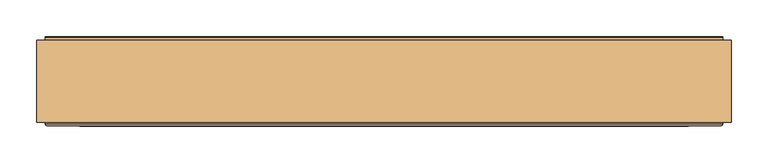
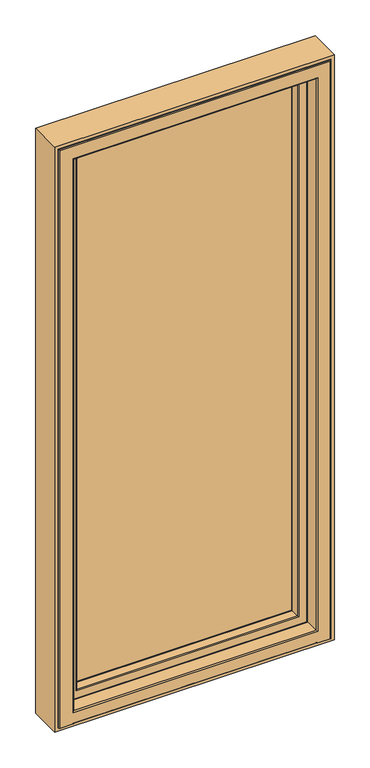
"""IFC4 building model written with IfcOpenShell, lengths in millimetres: door geometry."""

from ifc_helpers import new_model, si_unit, frame, origin, place, context, project, spatial, polyline, circle_curve, ellipse_curve, outline, extrude, source, transform, mapped, element, save
from ifc_brep_helpers import plane_surface, cylinder_surface, revolved_surface, advanced_brep


def door_3a517f91(model_context):
    return source(origin(), model_context, "Body", "SolidModel", [
        extrude(outline(polyline([(385.0, 153.0110098), (-385.0, 153.0110098), (-385.0, 181.0110098), (385.0, 181.0110098), (385.0, 153.0110098)])), frame((0.0, 0.0, 84.0), z_axis=(0.0, 0.0, 1.0), x_axis=(1.0, 0.0, 0.0)), (0.0, 0.0, 1.0), 1926.0),
        advanced_brep(
        [(427.5, 188.6168436, 2052.5), (427.5, 185.5999985, 2052.5), (427.5, 185.5999985, 41.5), (427.5, 188.6168436, 41.5), (430.0, 193.0, 2055.0), (431.0, 192.0, 2056.0), (431.0, 192.0, 38.0), (430.0, 193.0, 39.0), (378.7687118, 192.6156615, 2003.7687118), (379.5567226, 193.0, 2004.5567226), (379.5567226, 193.0, 89.4432774), (378.7687118, 192.6156615, 90.2312882), (371.0012615, 182.6737784, 1996.0012615), (371.0012615, 182.6737784, 97.9987385), (371.0012615, 181.0, 1996.0012615), (371.0012615, 181.0, 97.9987385), (391.8240449, 153.0, 2016.8240449), (395.2620126, 181.0, 2020.2620126), (395.2620126, 181.0, 73.7379874), (391.8240449, 153.0, 77.1759551), (373.4556912, 150.0, 1998.4556912), (373.4556912, 153.0, 1998.4556912), (373.4556912, 153.0, 95.5443088), (373.4556912, 150.0, 95.5443088), (373.4775438, 148.7920883, 1998.4775438), (374.4556914, 150.0, 1999.4556914), (374.4556914, 150.0, 94.5443086), (373.4775438, 148.7920883, 95.5224562), (375.2663821, 120.376265, 2000.2663821), (375.2663821, 120.376265, 93.7336179), (378.2008249, 118.0, 2003.2008249), (378.2008249, 118.0, 90.7991751), (408.5618051, 119.7562613, 2033.5618051), (406.5767128, 118.0, 2031.5767128), (406.5767128, 118.0, 62.4232872), (408.5618051, 119.7562613, 60.4381949), (410.5562854, 136.0, 2035.5562854), (410.5562854, 136.0, 58.4437146), (422.0, 185.5999985, 2047.0), (422.0, 136.0, 2047.0), (422.0, 136.0, 47.0), (422.0, 185.5999985, 47.0), (-427.5, 185.5999985, 41.5), (-427.5, 188.6168436, 41.5), (-431.0, 192.0, 38.0), (-430.0, 193.0, 39.0), (-379.5567226, 193.0, 89.4432774), (-378.7687118, 192.6156615, 90.2312882), (-371.0012615, 182.6737784, 97.9987385), (-371.0012615, 181.0, 97.9987385), (-395.2620126, 181.0, 73.7379874), (-391.8240449, 153.0, 77.1759551), (-373.4556912, 153.0, 95.5443088), (-373.4556912, 150.0, 95.5443088), (-374.4556914, 150.0, 94.5443086), (-373.4775438, 148.7920883, 95.5224562), (-375.2663821, 120.376265, 93.7336179), (-378.2008249, 118.0, 90.7991751), (-406.5767128, 118.0, 62.4232872), (-408.5618051, 119.7562613, 60.4381949), (-410.5562854, 136.0, 58.4437146), (-422.0, 136.0, 47.0), (-422.0, 185.5999985, 47.0), (-427.5, 185.5999985, 2052.5), (-427.5, 188.6168436, 2052.5), (-431.0, 192.0, 2056.0), (-430.0, 193.0, 2055.0), (-379.5567226, 193.0, 2004.5567226), (-378.7687118, 192.6156615, 2003.7687118), (-371.0012615, 182.6737784, 1996.0012615), (-371.0012615, 181.0, 1996.0012615), (-395.2620126, 181.0, 2020.2620126), (-391.8240449, 153.0, 2016.8240449), (-373.4556912, 153.0, 1998.4556912), (-373.4556912, 150.0, 1998.4556912), (-374.4556914, 150.0, 1999.4556914), (-373.4775438, 148.7920883, 1998.4775438), (-375.2663821, 120.376265, 2000.2663821), (-378.2008249, 118.0, 2003.2008249), (-406.5767128, 118.0, 2031.5767128), (-408.5618051, 119.7562613, 2033.5618051), (-410.5562854, 136.0, 2035.5562854), (-422.0, 136.0, 2047.0), (-422.0, 185.5999985, 2047.0), (437.1997151, 189.6865589, 31.8002849), (-437.1997151, 189.6865589, 31.8002849), (-437.1997151, 189.6865589, 2062.1997151), (437.1997151, 189.6865589, 2062.1997151), (431.0, 189.6865589, 2056.0), (-431.0, 189.6865589, 2056.0), (-431.0, 189.6865589, 38.0), (431.0, 189.6865589, 38.0), (437.1997151, 188.6168436, 2062.1997151), (437.1997151, 188.6168436, 31.8002849), (-437.1997151, 188.6168436, 31.8002849), (-437.1997151, 188.6168436, 2062.1997151)],
        [
            (0, 1),
            (1, 2),
            (2, 3),
            (3, 0),
            (4, 5, ellipse_curve(frame((430.0, 192.0, 2055.0), z_axis=(0.7071067811865475, 0.0, -0.7071067811865475), x_axis=(0.7071067811865474, 0.0, 0.7071067811865476)), 1.4142136, 1.0)),
            (5, 6),
            (6, 7, ellipse_curve(frame((430.0, 192.0, 39.0), z_axis=(0.7071067811865475, 0.0, 0.7071067811865475), x_axis=(-0.7071067811865474, 0.0, 0.7071067811865476)), 1.4142136, 1.0)),
            (7, 4),
            (8, 9, ellipse_curve(frame((379.5567226, 192.0, 2004.5567226), z_axis=(0.7071067811865475, 0.0, -0.7071067811865475), x_axis=(0.7071067811865474, 0.0, 0.7071067811865476)), 1.4142136, 1.0)),
            (9, 10),
            (10, 11, ellipse_curve(frame((379.5567226, 192.0, 89.4432774), z_axis=(0.7071067811865475, 0.0, 0.7071067811865475), x_axis=(-0.7071067811865474, 0.0, 0.7071067811865476)), 1.4142136, 1.0)),
            (11, 8),
            (12, 8),
            (11, 13),
            (13, 12),
            (14, 12),
            (13, 15),
            (15, 14),
            (16, 17),
            (17, 18),
            (18, 19),
            (19, 16),
            (20, 21),
            (21, 22),
            (22, 23),
            (23, 20),
            (24, 25, ellipse_curve(frame((374.4556914, 149.0, 1999.4556914), z_axis=(0.7071067811865475, 0.0, -0.7071067811865475), x_axis=(0.7071067811865474, 0.0, 0.7071067811865476)), 1.4142136, 1.0)),
            (25, 26),
            (26, 27, ellipse_curve(frame((374.4556914, 149.0, 94.5443086), z_axis=(0.7071067811865475, 0.0, 0.7071067811865475), x_axis=(-0.7071067811865474, 0.0, 0.7071067811865476)), 1.4142136, 1.0)),
            (27, 24),
            (28, 24),
            (27, 29),
            (29, 28),
            (30, 28, ellipse_curve(frame((378.2008249, 121.0, 2003.2008249), z_axis=(0.7071067811865475, 0.0, -0.7071067811865475), x_axis=(0.7071067811865474, 0.0, 0.7071067811865476)), 4.2426407, 3.0)),
            (29, 31, ellipse_curve(frame((378.2008249, 121.0, 90.7991751), z_axis=(0.7071067811865475, 0.0, 0.7071067811865475), x_axis=(-0.7071067811865474, 0.0, 0.7071067811865476)), 4.2426407, 3.0)),
            (31, 30),
            (32, 33, ellipse_curve(frame((406.5767128, 120.0, 2031.5767128), z_axis=(0.7071067811865475, 0.0, -0.7071067811865475), x_axis=(0.7071067811865474, 0.0, 0.7071067811865476)), 2.8284271, 2.0)),
            (33, 34),
            (34, 35, ellipse_curve(frame((406.5767128, 120.0, 62.4232872), z_axis=(0.7071067811865475, 0.0, 0.7071067811865475), x_axis=(-0.7071067811865474, 0.0, 0.7071067811865476)), 2.8284271, 2.0)),
            (35, 32),
            (36, 32),
            (35, 37),
            (37, 36),
            (38, 39),
            (39, 40),
            (40, 41),
            (41, 38),
            (2, 42),
            (42, 43),
            (43, 3),
            (6, 44),
            (44, 45, ellipse_curve(frame((-430.0, 192.0, 39.0), z_axis=(0.7071067811865475, 0.0, -0.7071067811865475), x_axis=(0.7071067811865476, 0.0, 0.7071067811865474)), 1.4142136, 1.0)),
            (45, 7),
            (10, 46),
            (46, 47, ellipse_curve(frame((-379.5567226, 192.0, 89.4432774), z_axis=(0.7071067811865475, 0.0, -0.7071067811865475), x_axis=(0.7071067811865476, 0.0, 0.7071067811865474)), 1.4142136, 1.0)),
            (47, 11),
            (47, 48),
            (48, 13),
            (48, 49),
            (49, 15),
            (18, 50),
            (50, 51),
            (51, 19),
            (22, 52),
            (52, 53),
            (53, 23),
            (26, 54),
            (54, 55, ellipse_curve(frame((-374.4556914, 149.0, 94.5443086), z_axis=(0.7071067811865475, 0.0, -0.7071067811865475), x_axis=(0.7071067811865476, 0.0, 0.7071067811865474)), 1.4142136, 1.0)),
            (55, 27),
            (55, 56),
            (56, 29),
            (56, 57, ellipse_curve(frame((-378.2008249, 121.0, 90.7991751), z_axis=(0.7071067811865475, 0.0, -0.7071067811865475), x_axis=(0.7071067811865476, 0.0, 0.7071067811865474)), 4.2426407, 3.0)),
            (57, 31),
            (34, 58),
            (58, 59, ellipse_curve(frame((-406.5767128, 120.0, 62.4232872), z_axis=(0.7071067811865475, 0.0, -0.7071067811865475), x_axis=(0.7071067811865476, 0.0, 0.7071067811865474)), 2.8284271, 2.0)),
            (59, 35),
            (59, 60),
            (60, 37),
            (40, 61),
            (61, 62),
            (62, 41),
            (42, 63),
            (63, 64),
            (64, 43),
            (44, 65),
            (65, 66, ellipse_curve(frame((-430.0, 192.0, 2055.0), z_axis=(-0.7071067811865475, 0.0, -0.7071067811865475), x_axis=(0.7071067811865474, 0.0, -0.7071067811865476)), 1.4142136, 1.0)),
            (66, 45),
            (46, 67),
            (67, 68, ellipse_curve(frame((-379.5567226, 192.0, 2004.5567226), z_axis=(-0.7071067811865475, 0.0, -0.7071067811865475), x_axis=(0.7071067811865474, 0.0, -0.7071067811865476)), 1.4142136, 1.0)),
            (68, 47),
            (68, 69),
            (69, 48),
            (69, 70),
            (70, 49),
            (50, 71),
            (71, 72),
            (72, 51),
            (52, 73),
            (73, 74),
            (74, 53),
            (54, 75),
            (75, 76, ellipse_curve(frame((-374.4556914, 149.0, 1999.4556914), z_axis=(-0.7071067811865475, 0.0, -0.7071067811865475), x_axis=(0.7071067811865474, 0.0, -0.7071067811865476)), 1.4142136, 1.0)),
            (76, 55),
            (76, 77),
            (77, 56),
            (77, 78, ellipse_curve(frame((-378.2008249, 121.0, 2003.2008249), z_axis=(-0.7071067811865475, 0.0, -0.7071067811865475), x_axis=(0.7071067811865474, 0.0, -0.7071067811865476)), 4.2426407, 3.0)),
            (78, 57),
            (58, 79),
            (79, 80, ellipse_curve(frame((-406.5767128, 120.0, 2031.5767128), z_axis=(-0.7071067811865475, 0.0, -0.7071067811865475), x_axis=(0.7071067811865474, 0.0, -0.7071067811865476)), 2.8284271, 2.0)),
            (80, 59),
            (80, 81),
            (81, 60),
            (61, 82),
            (82, 83),
            (83, 62),
            (1, 63),
            (83, 38),
            (0, 64),
            (84, 85),
            (85, 86),
            (86, 87),
            (87, 84),
            (88, 89),
            (89, 90),
            (90, 91),
            (91, 88),
            (65, 5),
            (4, 66),
            (9, 67),
            (8, 68),
            (12, 69),
            (14, 70),
            (17, 71),
            (16, 72),
            (21, 73),
            (20, 74),
            (25, 75),
            (24, 76),
            (28, 77),
            (30, 78),
            (33, 79),
            (32, 80),
            (36, 81),
            (39, 82),
            (87, 92),
            (92, 93),
            (93, 84),
            (5, 88),
            (91, 6),
            (93, 94),
            (94, 85),
            (90, 44),
            (94, 95),
            (95, 86),
            (89, 65),
            (92, 95),
        ],
        [
            plane_surface(frame((427.5, 185.5999985, 2052.5), z_axis=(1.0, 0.0, 0.0), x_axis=(0.0, 0.0, -1.0))),
            cylinder_surface(frame((430.0, 192.0, 2047.0), z_axis=(0.0, 0.0, 1.0), x_axis=(0.0, -1.0, 0.0)), 1.0),
            cylinder_surface(frame((379.5567226, 192.0, 2047.0), z_axis=(0.0, 0.0, 1.0), x_axis=(0.0, -1.0, 0.0)), 1.0),
            plane_surface(frame((378.7687118, 192.6156615, 2003.7687118), z_axis=(-0.788010753606748, 0.6156614753256251, 0.0), x_axis=(0.0, 0.0, -1.0))),
            plane_surface(frame((371.0012615, 182.6737784, 1996.0012615), z_axis=(-1.0, 0.0, 0.0), x_axis=(0.0, 0.0, -1.0))),
            plane_surface(frame((395.2620126, 181.0, 2020.2620126), z_axis=(-0.9925461516413229, 0.1218693434051407, 0.0), x_axis=(0.0, 0.0, -1.0))),
            plane_surface(frame((373.4556912, 153.0, 1998.4556912), z_axis=(-1.0, 0.0, 0.0), x_axis=(0.0, 0.0, -1.0))),
            cylinder_surface(frame((374.4556914, 149.0, 2047.0), z_axis=(0.0, 0.0, 1.0), x_axis=(0.0, -1.0, 0.0)), 1.0),
            plane_surface(frame((373.4775438, 148.7920883, 1998.4775438), z_axis=(-0.9980243809166679, -0.0628278210341702, 0.0), x_axis=(0.0, 0.0, -1.0))),
            cylinder_surface(frame((378.2008249, 121.0, 2047.0), z_axis=(0.0, 0.0, 1.0), x_axis=(0.0, -1.0, 0.0)), 3.0),
            cylinder_surface(frame((406.5767128, 120.0, 2047.0), z_axis=(0.0, 0.0, 1.0), x_axis=(0.0, -1.0, 0.0)), 2.0),
            plane_surface(frame((408.5618051, 119.7562613, 2033.5618051), z_axis=(0.9925461516416137, -0.12186934340277171, 0.0), x_axis=(0.0, 0.0, -1.0))),
            plane_surface(frame((422.0, 136.0, 2047.0), z_axis=(1.0, 0.0, 0.0), x_axis=(0.0, 0.0, -1.0))),
            plane_surface(frame((427.5, 185.5999985, 41.5), z_axis=(0.0, 0.0, -1.0), x_axis=(-1.0, 0.0, 0.0))),
            cylinder_surface(frame((422.0, 192.0, 39.0), z_axis=(1.0, 0.0, 0.0), x_axis=(0.0, -1.0, 0.0)), 1.0),
            cylinder_surface(frame((422.0, 192.0, 89.4432774), z_axis=(1.0, 0.0, 0.0), x_axis=(0.0, -1.0, 0.0)), 1.0),
            plane_surface(frame((378.7687118, 192.6156615, 90.2312882), z_axis=(0.0, 0.6156614753256251, 0.788010753606748), x_axis=(-1.0, 0.0, 0.0))),
            plane_surface(frame((371.0012615, 182.6737784, 97.9987385), z_axis=(0.0, 0.0, 1.0), x_axis=(-1.0, 0.0, 0.0))),
            plane_surface(frame((395.2620126, 181.0, 73.7379874), z_axis=(0.0, 0.1218693434051407, 0.9925461516413229), x_axis=(-1.0, 0.0, 0.0))),
            plane_surface(frame((373.4556912, 153.0, 95.5443088), z_axis=(0.0, 0.0, 1.0), x_axis=(-1.0, 0.0, 0.0))),
            cylinder_surface(frame((422.0, 149.0, 94.5443086), z_axis=(1.0, 0.0, 0.0), x_axis=(0.0, -1.0, 0.0)), 1.0),
            plane_surface(frame((373.4775438, 148.7920883, 95.5224562), z_axis=(0.0, -0.0628278210341702, 0.9980243809166679), x_axis=(-1.0, 0.0, 0.0))),
            cylinder_surface(frame((422.0, 121.0, 90.7991751), z_axis=(1.0, 0.0, 0.0), x_axis=(0.0, -1.0, 0.0)), 3.0),
            cylinder_surface(frame((422.0, 120.0, 62.4232872), z_axis=(1.0, 0.0, 0.0), x_axis=(0.0, -1.0, 0.0)), 2.0),
            plane_surface(frame((408.5618051, 119.7562613, 60.4381949), z_axis=(0.0, -0.12186934340277171, -0.9925461516416137), x_axis=(-1.0, 0.0, 0.0))),
            plane_surface(frame((422.0, 136.0, 47.0), z_axis=(0.0, 0.0, -1.0), x_axis=(-1.0, 0.0, 0.0))),
            plane_surface(frame((-427.5, 185.5999985, 41.5), z_axis=(-1.0, 0.0, 0.0), x_axis=(0.0, 0.0, 1.0))),
            cylinder_surface(frame((-430.0, 192.0, 47.0), z_axis=(0.0, 0.0, -1.0), x_axis=(0.0, -1.0, 0.0)), 1.0),
            cylinder_surface(frame((-379.5567226, 192.0, 47.0), z_axis=(0.0, 0.0, -1.0), x_axis=(0.0, -1.0, 0.0)), 1.0),
            plane_surface(frame((-378.7687118, 192.6156615, 90.2312882), z_axis=(0.788010753606748, 0.6156614753256251, 0.0), x_axis=(0.0, 0.0, 1.0))),
            plane_surface(frame((-371.0012615, 182.6737784, 97.9987385), z_axis=(1.0, 0.0, 0.0), x_axis=(0.0, 0.0, 1.0))),
            plane_surface(frame((-395.2620126, 181.0, 73.7379874), z_axis=(0.9925461516413229, 0.1218693434051407, 0.0), x_axis=(0.0, 0.0, 1.0))),
            plane_surface(frame((-373.4556912, 153.0, 95.5443088), z_axis=(1.0, 0.0, 0.0), x_axis=(0.0, 0.0, 1.0))),
            cylinder_surface(frame((-374.4556914, 149.0, 47.0), z_axis=(0.0, 0.0, -1.0), x_axis=(0.0, -1.0, 0.0)), 1.0),
            plane_surface(frame((-373.4775438, 148.7920883, 95.5224562), z_axis=(0.9980243809166679, -0.0628278210341702, 0.0), x_axis=(0.0, 0.0, 1.0))),
            cylinder_surface(frame((-378.2008249, 121.0, 47.0), z_axis=(0.0, 0.0, -1.0), x_axis=(0.0, -1.0, 0.0)), 3.0),
            cylinder_surface(frame((-406.5767128, 120.0, 47.0), z_axis=(0.0, 0.0, -1.0), x_axis=(0.0, -1.0, 0.0)), 2.0),
            plane_surface(frame((-408.5618051, 119.7562613, 60.4381949), z_axis=(-0.9925461516416137, -0.12186934340277171, 0.0), x_axis=(0.0, 0.0, 1.0))),
            plane_surface(frame((-422.0, 136.0, 47.0), z_axis=(-1.0, 0.0, 0.0), x_axis=(0.0, 0.0, 1.0))),
            plane_surface(frame((-422.0, 185.5999985, 2047.0), z_axis=(0.0, -1.0, 0.0), x_axis=(1.0, 0.0, 0.0))),
            plane_surface(frame((-427.5, 185.5999985, 2052.5), z_axis=(0.0, 0.0, 1.0), x_axis=(1.0, 0.0, 0.0))),
            plane_surface(frame((-437.1997151, 189.6865589, 2062.1997151), z_axis=(0.0, 1.0, 0.0), x_axis=(1.0, 0.0, 0.0))),
            cylinder_surface(frame((-422.0, 192.0, 2055.0), z_axis=(-1.0, 0.0, 0.0), x_axis=(0.0, -1.0, 0.0)), 1.0),
            plane_surface(frame((-430.0, 193.0, 2055.0), z_axis=(0.0, 1.0, 0.0), x_axis=(1.0, 0.0, 0.0))),
            cylinder_surface(frame((-422.0, 192.0, 2004.5567226), z_axis=(-1.0, 0.0, 0.0), x_axis=(0.0, -1.0, 0.0)), 1.0),
            plane_surface(frame((-378.7687118, 192.6156615, 2003.7687118), z_axis=(0.0, 0.6156614753256251, -0.788010753606748), x_axis=(1.0, 0.0, 0.0))),
            plane_surface(frame((-371.0012615, 182.6737784, 1996.0012615), z_axis=(0.0, 0.0, -1.0), x_axis=(1.0, 0.0, 0.0))),
            plane_surface(frame((-371.0012615, 181.0, 1996.0012615), z_axis=(0.0, -1.0, 0.0), x_axis=(1.0, 0.0, 0.0))),
            plane_surface(frame((-395.2620126, 181.0, 2020.2620126), z_axis=(0.0, 0.1218693434051407, -0.9925461516413229), x_axis=(1.0, 0.0, 0.0))),
            plane_surface(frame((-391.8240449, 153.0, 2016.8240449), z_axis=(0.0, 1.0, 0.0), x_axis=(1.0, 0.0, 0.0))),
            plane_surface(frame((-373.4556912, 153.0, 1998.4556912), z_axis=(0.0, 0.0, -1.0), x_axis=(1.0, 0.0, 0.0))),
            plane_surface(frame((-373.4556912, 150.0, 1998.4556912), z_axis=(0.0, -1.0, 0.0), x_axis=(1.0, 0.0, 0.0))),
            cylinder_surface(frame((-422.0, 149.0, 1999.4556914), z_axis=(-1.0, 0.0, 0.0), x_axis=(0.0, -1.0, 0.0)), 1.0),
            plane_surface(frame((-373.4775438, 148.7920883, 1998.4775438), z_axis=(0.0, -0.0628278210341702, -0.9980243809166679), x_axis=(1.0, 0.0, 0.0))),
            cylinder_surface(frame((-422.0, 121.0, 2003.2008249), z_axis=(-1.0, 0.0, 0.0), x_axis=(0.0, -1.0, 0.0)), 3.0),
            plane_surface(frame((-378.2008249, 118.0, 2003.2008249), z_axis=(0.0, -1.0, 0.0), x_axis=(1.0, 0.0, 0.0))),
            cylinder_surface(frame((-422.0, 120.0, 2031.5767128), z_axis=(-1.0, 0.0, 0.0), x_axis=(0.0, -1.0, 0.0)), 2.0),
            plane_surface(frame((-408.5618051, 119.7562613, 2033.5618051), z_axis=(0.0, -0.12186934340277171, 0.9925461516416137), x_axis=(1.0, 0.0, 0.0))),
            plane_surface(frame((-410.5562854, 136.0, 2035.5562854), z_axis=(0.0, -1.0, 0.0), x_axis=(1.0, 0.0, 0.0))),
            plane_surface(frame((-422.0, 136.0, 2047.0), z_axis=(0.0, 0.0, 1.0), x_axis=(1.0, 0.0, 0.0))),
            plane_surface(frame((437.1997151, 188.6168436, 2062.1997151), z_axis=(1.0, 0.0, 0.0), x_axis=(0.0, 0.0, -1.0))),
            plane_surface(frame((431.0, 189.6865589, 2056.0), z_axis=(1.0, 0.0, 0.0), x_axis=(0.0, 0.0, -1.0))),
            plane_surface(frame((437.1997151, 188.6168436, 31.8002849), z_axis=(0.0, 0.0, -1.0), x_axis=(-1.0, 0.0, 0.0))),
            plane_surface(frame((431.0, 189.6865589, 38.0), z_axis=(0.0, 0.0, -1.0), x_axis=(-1.0, 0.0, 0.0))),
            plane_surface(frame((-437.1997151, 188.6168436, 31.8002849), z_axis=(-1.0, 0.0, 0.0), x_axis=(0.0, 0.0, 1.0))),
            plane_surface(frame((-431.0, 189.6865589, 38.0), z_axis=(-1.0, 0.0, 0.0), x_axis=(0.0, 0.0, 1.0))),
            plane_surface(frame((-427.5, 188.6168436, 2052.5), z_axis=(0.0, -1.0, 0.0), x_axis=(1.0, 0.0, 0.0))),
            plane_surface(frame((-437.1997151, 188.6168436, 2062.1997151), z_axis=(0.0, 0.0, 1.0), x_axis=(1.0, 0.0, 0.0))),
            plane_surface(frame((-431.0, 189.6865589, 2056.0), z_axis=(0.0, 0.0, 1.0), x_axis=(1.0, 0.0, 0.0))),
        ],
        [
            (0, [[1, 2, 3, 4]]),
            (1, [[5, 6, 7, 8]]),
            (2, [[9, 10, 11, 12]]),
            (3, [[13, -12, 14, 15]]),
            (4, [[16, -15, 17, 18]]),
            (5, [[19, 20, 21, 22]]),
            (6, [[23, 24, 25, 26]]),
            (7, [[27, 28, 29, 30]]),
            (8, [[31, -30, 32, 33]]),
            (9, [[34, -33, 35, 36]]),
            (10, [[37, 38, 39, 40]]),
            (11, [[41, -40, 42, 43]]),
            (12, [[44, 45, 46, 47]]),
            (13, [[-3, 48, 49, 50]]),
            (14, [[-7, 51, 52, 53]]),
            (15, [[-11, 54, 55, 56]]),
            (16, [[-14, -56, 57, 58]]),
            (17, [[-17, -58, 59, 60]]),
            (18, [[-21, 61, 62, 63]]),
            (19, [[-25, 64, 65, 66]]),
            (20, [[-29, 67, 68, 69]]),
            (21, [[-32, -69, 70, 71]]),
            (22, [[-35, -71, 72, 73]]),
            (23, [[-39, 74, 75, 76]]),
            (24, [[-42, -76, 77, 78]]),
            (25, [[-46, 79, 80, 81]]),
            (26, [[-49, 82, 83, 84]]),
            (27, [[-52, 85, 86, 87]]),
            (28, [[-55, 88, 89, 90]]),
            (29, [[-57, -90, 91, 92]]),
            (30, [[-59, -92, 93, 94]]),
            (31, [[-62, 95, 96, 97]]),
            (32, [[-65, 98, 99, 100]]),
            (33, [[-68, 101, 102, 103]]),
            (34, [[-70, -103, 104, 105]]),
            (35, [[-72, -105, 106, 107]]),
            (36, [[-75, 108, 109, 110]]),
            (37, [[-77, -110, 111, 112]]),
            (38, [[-80, 113, 114, 115]]),
            (39, [[116, -82, -48, -2], [-81, -115, 117, -47]]),
            (40, [[-83, -116, -1, 118]]),
            (41, [[119, 120, 121, 122], [123, 124, 125, 126]]),
            (42, [[-86, 127, -5, 128]]),
            (43, [[-53, -87, -128, -8], [129, -88, -54, -10]]),
            (44, [[-89, -129, -9, 130]]),
            (45, [[-91, -130, -13, 131]]),
            (46, [[-93, -131, -16, 132]]),
            (47, [[133, -95, -61, -20], [-60, -94, -132, -18]]),
            (48, [[-96, -133, -19, 134]]),
            (49, [[-63, -97, -134, -22], [135, -98, -64, -24]]),
            (50, [[-99, -135, -23, 136]]),
            (51, [[137, -101, -67, -28], [-66, -100, -136, -26]]),
            (52, [[-102, -137, -27, 138]]),
            (53, [[-104, -138, -31, 139]]),
            (54, [[-106, -139, -34, 140]]),
            (55, [[141, -108, -74, -38], [-73, -107, -140, -36]]),
            (56, [[-109, -141, -37, 142]]),
            (57, [[-111, -142, -41, 143]]),
            (58, [[144, -113, -79, -45], [-78, -112, -143, -43]]),
            (59, [[-114, -144, -44, -117]]),
            (60, [[145, 146, 147, -122]]),
            (61, [[148, -126, 149, -6]]),
            (62, [[-147, 150, 151, -119]]),
            (63, [[-149, -125, 152, -51]]),
            (64, [[-151, 153, 154, -120]]),
            (65, [[-152, -124, 155, -85]]),
            (66, [[156, -153, -150, -146], [-50, -84, -118, -4]]),
            (67, [[-154, -156, -145, -121]]),
            (68, [[-155, -123, -148, -127]]),
        ],
    ),
        extrude(outline(polyline([(2100.0, -475.0), (0.0, -475.0), (0.0, 475.0), (2100.0, 475.0), (2100.0, -475.0)]), holes=[polyline([(2088.0, 463.0), (12.0, 463.0), (12.0, -463.0), (2088.0, -463.0), (2088.0, 463.0)])]), frame((0.0, 77.0, 0.0), z_axis=(0.0, 1.0, 0.0), x_axis=(0.0, 0.0, 1.0)), (0.0, 0.0, 1.0), 112.0),
        advanced_brep(
        [(-437.7857488, 191.365608, 30.5880353), (-437.7857488, 194.0, 27.6103969), (-437.7857488, 194.0, 15.0), (-437.7857488, 191.0, 12.0), (-437.7857488, 186.453125, 12.0), (-437.7857488, 186.453125, 31.1912124), (437.7857488, 191.365608, 30.5880353), (437.7857488, 194.0, 27.6103969), (437.7857488, 194.0, 15.0), (437.7857488, 191.0, 12.0), (437.7857488, 186.453125, 12.0), (438.6, 186.453125, 12.0), (438.6, 193.0, 12.0), (439.6, 194.0, 12.0), (462.0, 194.0, 12.0), (463.0, 193.0, 12.0), (463.0, 75.0, 12.0), (460.0, 72.0, 12.0), (416.0, 72.0, 12.0), (413.0, 75.0, 12.0), (-413.0, 75.0, 12.0), (-416.0, 72.0, 12.0), (-460.0, 72.0, 12.0), (-463.0, 75.0, 12.0), (-463.0, 193.0, 12.0), (-462.0, 194.0, 12.0), (-439.6, 194.0, 12.0), (-438.6, 193.0, 12.0), (-438.6, 186.453125, 12.0), (437.7857488, 186.453125, 31.1912124), (437.7857488, 186.453125, 2062.7857488), (-437.7857488, 186.453125, 2062.7857488), (-438.6, 186.453125, 2063.6), (438.6, 186.453125, 2063.6), (-431.1386925, 132.317196, 37.8382687), (431.1386925, 132.317196, 37.8382687), (-431.1386925, 132.317196, 2056.1386925), (-429.6498733, 131.0, 39.3270879), (429.6498733, 131.0, 39.3270879), (431.1386925, 132.317196, 2056.1386925), (438.6, 193.0, 2063.6), (439.6, 194.0, 2064.6), (-439.6, 194.0, 2064.6), (-462.0, 194.0, 2087.0), (462.0, 194.0, 2087.0), (463.0, 193.0, 2088.0), (463.0, 75.0, 2088.0), (460.0, 72.0, 2085.0), (-416.0, 72.0, 15.0), (416.0, 72.0, 15.0), (-460.0, 72.0, 2085.0), (416.0, 72.0, 53.0), (-416.0, 72.0, 53.0), (-416.0, 72.0, 2041.0), (416.0, 72.0, 2041.0), (413.0, 75.0, 2038.0), (413.0, 75.0, 56.0), (-413.0, 75.0, 2038.0), (-413.0, 75.0, 56.0), (-463.0, 75.0, 2088.0), (-463.0, 193.0, 2088.0), (-438.6, 193.0, 2063.6), (413.0, 129.5, 56.0), (-413.0, 129.5, 56.0), (413.0, 129.5, 2038.0), (414.5, 131.0, 54.5), (-414.5, 131.0, 54.5), (-413.0, 129.5, 2038.0), (414.5, 131.0, 2039.5), (-429.6498733, 131.0, 2054.6498733), (429.6498733, 131.0, 2054.6498733), (-414.5, 131.0, 2039.5)],
        [
            (0, 1, circle_curve(frame((-437.7857488, 191.0, 27.6103969), z_axis=(-1.0, 0.0, 0.0), x_axis=(0.0, -1.0, 0.0)), 3.0)),
            (1, 2),
            (2, 3, circle_curve(frame((-437.7857488, 191.0, 15.0), z_axis=(-1.0, 0.0, 0.0), x_axis=(0.0, -1.0, 0.0)), 3.0)),
            (3, 4),
            (4, 5),
            (5, 0),
            (0, 6),
            (6, 7, circle_curve(frame((437.7857488, 191.0, 27.6103969), z_axis=(-1.0, 0.0, 0.0), x_axis=(0.0, -1.0, 0.0)), 3.0)),
            (7, 1),
            (7, 8),
            (8, 2),
            (8, 9, circle_curve(frame((437.7857488, 191.0, 15.0), z_axis=(-1.0, 0.0, 0.0), x_axis=(0.0, -1.0, 0.0)), 3.0)),
            (9, 3),
            (9, 10),
            (10, 11),
            (11, 12),
            (12, 13, circle_curve(frame((439.6, 193.0, 12.0), z_axis=(0.0, 0.0, -1.0), x_axis=(0.0, 1.0, 0.0)), 1.0)),
            (13, 14),
            (14, 15, circle_curve(frame((462.0, 193.0, 12.0), z_axis=(0.0, 0.0, -1.0), x_axis=(0.0, 1.0, 0.0)), 1.0)),
            (15, 16),
            (16, 17, circle_curve(frame((460.0, 75.0, 12.0), z_axis=(0.0, 0.0, -1.0), x_axis=(0.0, 1.0, 0.0)), 3.0)),
            (17, 18),
            (18, 19, circle_curve(frame((416.0, 75.0, 12.0), z_axis=(0.0, 0.0, -1.0), x_axis=(0.0, 1.0, 0.0)), 3.0)),
            (19, 20),
            (20, 21, circle_curve(frame((-416.0, 75.0, 12.0), z_axis=(0.0, 0.0, -1.0), x_axis=(0.0, 1.0, 0.0)), 3.0)),
            (21, 22),
            (22, 23, circle_curve(frame((-460.0, 75.0, 12.0), z_axis=(0.0, 0.0, -1.0), x_axis=(0.0, 1.0, 0.0)), 3.0)),
            (23, 24),
            (24, 25, circle_curve(frame((-462.0, 193.0, 12.0), z_axis=(0.0, 0.0, -1.0), x_axis=(0.0, 1.0, 0.0)), 1.0)),
            (25, 26),
            (26, 27, circle_curve(frame((-439.6, 193.0, 12.0), z_axis=(0.0, 0.0, -1.0), x_axis=(0.0, 1.0, 0.0)), 1.0)),
            (27, 28),
            (28, 4),
            (10, 29),
            (29, 30),
            (30, 31),
            (31, 5),
            (28, 32),
            (32, 33),
            (33, 11),
            (5, 34),
            (34, 35),
            (35, 29),
            (29, 6),
            (31, 36),
            (36, 34),
            (34, 37, ellipse_curve(frame((-429.6498733, 132.5, 39.3270879), z_axis=(-0.7071067811865475, 0.0, 0.7071067811865475), x_axis=(0.7071067811865476, 0.0, 0.7071067811865474)), 2.1213203, 1.5)),
            (37, 38),
            (38, 35, ellipse_curve(frame((429.6498733, 132.5, 39.3270879), z_axis=(0.7071067811865475, 0.0, 0.7071067811865475), x_axis=(0.7071067811865476, 0.0, -0.7071067811865474)), 2.1213203, 1.5)),
            (39, 30),
            (35, 39),
            (33, 40),
            (40, 12),
            (40, 41, ellipse_curve(frame((439.6, 193.0, 2064.6), z_axis=(0.7071067811865475, 0.0, -0.7071067811865475), x_axis=(-0.7071067811865474, 0.0, -0.7071067811865476)), 1.4142136, 1.0)),
            (41, 13),
            (41, 42),
            (42, 26),
            (25, 43),
            (43, 44),
            (44, 14),
            (44, 45, ellipse_curve(frame((462.0, 193.0, 2087.0), z_axis=(0.7071067811865475, 0.0, -0.7071067811865475), x_axis=(-0.7071067811865474, 0.0, -0.7071067811865476)), 1.4142136, 1.0)),
            (45, 15),
            (45, 46),
            (46, 16),
            (46, 47, ellipse_curve(frame((460.0, 75.0, 2085.0), z_axis=(0.7071067811865475, 0.0, -0.7071067811865475), x_axis=(-0.7071067811865474, 0.0, -0.7071067811865476)), 4.2426407, 3.0)),
            (47, 17),
            (48, 49),
            (49, 18),
            (47, 50),
            (50, 22),
            (21, 48),
            (51, 52),
            (52, 53),
            (53, 54),
            (54, 51),
            (49, 19, ellipse_curve(frame((416.0, 75.0, 15.0), z_axis=(0.7071067811865475, 0.0, -0.7071067811865475), x_axis=(-0.7071067811865474, 0.0, -0.7071067811865476)), 4.2426407, 3.0)),
            (54, 55, ellipse_curve(frame((416.0, 75.0, 2041.0), z_axis=(0.7071067811865475, 0.0, -0.7071067811865475), x_axis=(-0.7071067811865474, 0.0, -0.7071067811865476)), 4.2426407, 3.0)),
            (55, 56),
            (56, 51, ellipse_curve(frame((416.0, 75.0, 53.0), z_axis=(0.7071067811865475, 0.0, 0.7071067811865475), x_axis=(0.7071067811865474, 0.0, -0.7071067811865476)), 4.2426407, 3.0)),
            (48, 20, ellipse_curve(frame((-416.0, 75.0, 15.0), z_axis=(0.7071067811865475, 0.0, 0.7071067811865475), x_axis=(-0.7071067811865476, 0.0, 0.7071067811865474)), 4.2426407, 3.0)),
            (57, 53, ellipse_curve(frame((-416.0, 75.0, 2041.0), z_axis=(-0.7071067811865475, 0.0, -0.7071067811865475), x_axis=(-0.7071067811865474, 0.0, 0.7071067811865476)), 4.2426407, 3.0)),
            (52, 58, ellipse_curve(frame((-416.0, 75.0, 53.0), z_axis=(-0.7071067811865475, 0.0, 0.7071067811865475), x_axis=(0.7071067811865474, 0.0, 0.7071067811865476)), 4.2426407, 3.0)),
            (58, 57),
            (50, 59, ellipse_curve(frame((-460.0, 75.0, 2085.0), z_axis=(-0.7071067811865475, 0.0, -0.7071067811865475), x_axis=(-0.7071067811865474, 0.0, 0.7071067811865476)), 4.2426407, 3.0)),
            (59, 23),
            (59, 60),
            (60, 24),
            (60, 43, ellipse_curve(frame((-462.0, 193.0, 2087.0), z_axis=(-0.7071067811865475, 0.0, -0.7071067811865475), x_axis=(-0.7071067811865474, 0.0, 0.7071067811865476)), 1.4142136, 1.0)),
            (42, 61, ellipse_curve(frame((-439.6, 193.0, 2064.6), z_axis=(-0.7071067811865475, 0.0, -0.7071067811865475), x_axis=(-0.7071067811865474, 0.0, 0.7071067811865476)), 1.4142136, 1.0)),
            (61, 27),
            (61, 32),
            (56, 58),
            (56, 62),
            (62, 63),
            (63, 58),
            (55, 64),
            (64, 62),
            (62, 65, ellipse_curve(frame((414.5, 129.5, 54.5), z_axis=(-0.7071067811865475, 0.0, -0.7071067811865475), x_axis=(-0.7071067811865476, 0.0, 0.7071067811865474)), 2.1213203, 1.5)),
            (65, 66),
            (66, 63, ellipse_curve(frame((-414.5, 129.5, 54.5), z_axis=(0.7071067811865475, 0.0, -0.7071067811865475), x_axis=(-0.7071067811865476, 0.0, -0.7071067811865474)), 2.1213203, 1.5)),
            (67, 57),
            (63, 67),
            (64, 68, ellipse_curve(frame((414.5, 129.5, 2039.5), z_axis=(0.7071067811865475, 0.0, -0.7071067811865475), x_axis=(-0.7071067811865474, 0.0, -0.7071067811865476)), 2.1213203, 1.5)),
            (68, 65),
            (69, 70),
            (70, 38),
            (37, 69),
            (68, 71),
            (71, 66),
            (71, 67, ellipse_curve(frame((-414.5, 129.5, 2039.5), z_axis=(-0.7071067811865475, 0.0, -0.7071067811865475), x_axis=(-0.7071067811865474, 0.0, 0.7071067811865476)), 2.1213203, 1.5)),
            (70, 39, ellipse_curve(frame((429.6498733, 132.5, 2054.6498733), z_axis=(-0.7071067811865475, 0.0, 0.7071067811865475), x_axis=(0.7071067811865474, 0.0, 0.7071067811865476)), 2.1213203, 1.5)),
            (36, 69, ellipse_curve(frame((-429.6498733, 132.5, 2054.6498733), z_axis=(0.7071067811865475, 0.0, 0.7071067811865475), x_axis=(0.7071067811865474, 0.0, -0.7071067811865476)), 2.1213203, 1.5)),
            (64, 67),
            (36, 39),
            (61, 40),
            (60, 45),
            (59, 46),
            (57, 55),
        ],
        [
            plane_surface(frame((-437.7857488, 191.365608, 30.5880353), z_axis=(-1.0, 0.0, 0.0), x_axis=(0.0, 0.9925461516412108, -0.12186934340605346))),
            cylinder_surface(frame((437.7857488, 191.0, 27.6103969), z_axis=(-1.0, 0.0, 0.0), x_axis=(0.0, -1.0, 0.0)), 3.0),
            plane_surface(frame((-437.7857488, 194.0, 27.6103969), z_axis=(0.0, 1.0, 5.015401888247827e-12), x_axis=(1.0, 0.0, 0.0))),
            cylinder_surface(frame((437.7857488, 191.0, 15.0), z_axis=(-1.0, 0.0, 0.0), x_axis=(0.0, -1.0, 0.0)), 3.0),
            plane_surface(frame((-437.7857488, 191.0, 12.0), z_axis=(0.0, 0.0, -1.0), x_axis=(1.0, 0.0, 0.0))),
            plane_surface(frame((437.7857488, 186.453125, 12.0), z_axis=(0.0, 1.0, 0.0), x_axis=(0.0, 0.0, 1.0))),
            plane_surface(frame((-437.7857488, 132.317196, 37.8382687), z_axis=(0.0, 0.12186934340605346, 0.9925461516412108), x_axis=(1.0, 0.0, 0.0))),
            plane_surface(frame((437.7857488, 191.365608, 30.5880353), z_axis=(1.0, 0.0, 0.0), x_axis=(0.0, -0.9925461516412108, 0.12186934340605346))),
            plane_surface(frame((-431.1386925, 132.317196, 2056.1386925), z_axis=(0.9925461516413233, 0.12186934340513729, 0.0), x_axis=(0.0, 0.0, -1.0))),
            revolved_surface(polyline([(431.1498732691987, 131.0, 39.3270879), (-431.14987326919874, 131.0, 39.3270879)]), (437.7857488, 132.5, 39.3270879), (1.0, 0.0, 0.0)),
            plane_surface(frame((431.1386925, 132.317196, 12.0), z_axis=(-0.9925461516413233, 0.12186934340513729, 0.0), x_axis=(0.0, 0.0, 1.0))),
            plane_surface(frame((438.6, 186.453125, 12.0), z_axis=(-1.0, 0.0, 0.0), x_axis=(0.0, 0.0, 1.0))),
            cylinder_surface(frame((439.6, 193.0, 12.0), z_axis=(0.0, 0.0, -1.0), x_axis=(0.0, 1.0, 0.0)), 1.0),
            plane_surface(frame((439.6, 194.0, 12.0), z_axis=(0.0, 1.0, 0.0), x_axis=(0.0, 0.0, 1.0))),
            cylinder_surface(frame((462.0, 193.0, 12.0), z_axis=(0.0, 0.0, -1.0), x_axis=(0.0, 1.0, 0.0)), 1.0),
            plane_surface(frame((463.0, 193.0, 12.0), z_axis=(1.0, 0.0, 0.0), x_axis=(0.0, 0.0, 1.0))),
            cylinder_surface(frame((460.0, 75.0, 12.0), z_axis=(0.0, 0.0, -1.0), x_axis=(0.0, 1.0, 0.0)), 3.0),
            plane_surface(frame((-437.7857488, 72.0, 15.0), z_axis=(0.0, -1.0, 1.6904214870017627e-12), x_axis=(1.0, 0.0, 0.0))),
            cylinder_surface(frame((416.0, 75.0, 12.0), z_axis=(0.0, 0.0, -1.0), x_axis=(0.0, 1.0, 0.0)), 3.0),
            cylinder_surface(frame((437.7857488, 75.0, 15.0), z_axis=(-1.0, 0.0, 0.0), x_axis=(0.0, -1.0, 0.0)), 3.0),
            cylinder_surface(frame((-416.0, 75.0, 2100.0), z_axis=(0.0, 0.0, 1.0), x_axis=(0.0, 1.0, 0.0)), 3.0),
            cylinder_surface(frame((-460.0, 75.0, 2100.0), z_axis=(0.0, 0.0, 1.0), x_axis=(0.0, 1.0, 0.0)), 3.0),
            plane_surface(frame((-463.0, 193.0, 2088.0), z_axis=(-1.0, 0.0, 0.0), x_axis=(0.0, 0.0, -1.0))),
            cylinder_surface(frame((-462.0, 193.0, 2100.0), z_axis=(0.0, 0.0, 1.0), x_axis=(0.0, 1.0, 0.0)), 1.0),
            cylinder_surface(frame((-439.6, 193.0, 2100.0), z_axis=(0.0, 0.0, 1.0), x_axis=(0.0, 1.0, 0.0)), 1.0),
            plane_surface(frame((-438.6, 186.453125, 2063.6), z_axis=(1.0, 0.0, 0.0), x_axis=(0.0, 0.0, -1.0))),
            cylinder_surface(frame((437.7857488, 75.0, 53.0), z_axis=(-1.0, 0.0, 0.0), x_axis=(0.0, -1.0, 0.0)), 3.0),
            plane_surface(frame((-437.7857488, 75.0, 56.0), z_axis=(0.0, 0.0, 1.0), x_axis=(1.0, 0.0, 0.0))),
            plane_surface(frame((413.0, 75.0, 12.0), z_axis=(-1.0, 0.0, 0.0), x_axis=(0.0, 0.0, 1.0))),
            cylinder_surface(frame((437.7857488, 129.5, 54.5), z_axis=(-1.0, 0.0, 0.0), x_axis=(0.0, -1.0, 0.0)), 1.5),
            plane_surface(frame((-413.0, 75.0, 2038.0), z_axis=(1.0, 0.0, 0.0), x_axis=(0.0, 0.0, -1.0))),
            cylinder_surface(frame((414.5, 129.5, 12.0), z_axis=(0.0, 0.0, -1.0), x_axis=(0.0, 1.0, 0.0)), 1.5),
            plane_surface(frame((-437.7857488, 131.0, 54.5), z_axis=(0.0, 1.0, 0.0), x_axis=(1.0, 0.0, 0.0))),
            cylinder_surface(frame((-414.5, 129.5, 2100.0), z_axis=(0.0, 0.0, 1.0), x_axis=(0.0, 1.0, 0.0)), 1.5),
            revolved_surface(polyline([(429.6498733, 134.0, 2056.1498732691985), (429.6498733, 134.0, 37.827087930801326)]), (429.6498733, 132.5, 12.0), (0.0, 0.0, 1.0)),
            revolved_surface(polyline([(-429.6498733, 134.0, 37.827087930801554), (-429.6498733, 134.0, 2056.1498732691985)]), (-429.6498733, 132.5, 2100.0), (0.0, 0.0, -1.0)),
            cylinder_surface(frame((475.0, 129.5, 2039.5), z_axis=(1.0, 0.0, 0.0), x_axis=(0.0, 1.0, 0.0)), 1.5),
            revolved_surface(polyline([(-431.1498732691988, 134.0, 2054.6498733), (431.1498732691987, 134.0, 2054.6498733)]), (475.0, 132.5, 2054.6498733), (-1.0, 0.0, 0.0)),
            plane_surface(frame((431.1386925, 132.317196, 2056.1386925), z_axis=(0.0, 0.12186934340513729, -0.9925461516413233), x_axis=(-1.0, 0.0, 0.0))),
            plane_surface(frame((438.6, 186.453125, 2063.6), z_axis=(0.0, 0.0, -1.0), x_axis=(-1.0, 0.0, 0.0))),
            cylinder_surface(frame((475.0, 193.0, 2064.6), z_axis=(1.0, 0.0, 0.0), x_axis=(0.0, 1.0, 0.0)), 1.0),
            cylinder_surface(frame((475.0, 193.0, 2087.0), z_axis=(1.0, 0.0, 0.0), x_axis=(0.0, 1.0, 0.0)), 1.0),
            plane_surface(frame((463.0, 193.0, 2088.0), z_axis=(0.0, 0.0, 1.0), x_axis=(-1.0, 0.0, 0.0))),
            cylinder_surface(frame((475.0, 75.0, 2085.0), z_axis=(1.0, 0.0, 0.0), x_axis=(0.0, 1.0, 0.0)), 3.0),
            cylinder_surface(frame((475.0, 75.0, 2041.0), z_axis=(1.0, 0.0, 0.0), x_axis=(0.0, 1.0, 0.0)), 3.0),
            plane_surface(frame((413.0, 75.0, 2038.0), z_axis=(0.0, 0.0, -1.0), x_axis=(-1.0, 0.0, 0.0))),
        ],
        [
            (0, [[1, 2, 3, 4, 5, 6]]),
            (1, [[-1, 7, 8, 9]]),
            (2, [[-2, -9, 10, 11]]),
            (3, [[-3, -11, 12, 13]]),
            (4, [[-13, 14, 15, 16, 17, 18, 19, 20, 21, 22, 23, 24, 25, 26, 27, 28, 29, 30, 31, 32, 33, -4]]),
            (5, [[-15, 34, 35, 36, 37, -5, -33, 38, 39, 40]]),
            (6, [[-7, -6, 41, 42, 43, 44]]),
            (7, [[-12, -10, -8, -44, -34, -14]]),
            (8, [[45, 46, -41, -37]]),
            (9, [[-42, 47, 48, 49]]),
            (10, [[50, -35, -43, 51]]),
            (11, [[-16, -40, 52, 53]]),
            (12, [[-17, -53, 54, 55]]),
            (13, [[-18, -55, 56, 57, -30, 58, 59, 60]]),
            (14, [[-19, -60, 61, 62]]),
            (15, [[-20, -62, 63, 64]]),
            (16, [[-21, -64, 65, 66]]),
            (17, [[67, 68, -22, -66, 69, 70, -26, 71], [72, 73, 74, 75]]),
            (18, [[-23, -68, 76]]),
            (18, [[77, 78, 79, -75]]),
            (19, [[-24, -76, -67, 80]]),
            (20, [[-25, -80, -71]]),
            (20, [[81, -73, 82, 83]]),
            (21, [[84, 85, -27, -70]]),
            (22, [[86, 87, -28, -85]]),
            (23, [[88, -58, -29, -87]]),
            (24, [[89, 90, -31, -57]]),
            (25, [[91, -38, -32, -90]]),
            (26, [[-72, -79, 92, -82]]),
            (27, [[-92, 93, 94, 95]]),
            (28, [[96, 97, -93, -78]]),
            (29, [[-94, 98, 99, 100]]),
            (30, [[101, -83, -95, 102]]),
            (31, [[103, 104, -98, -97]]),
            (32, [[105, 106, -48, 107], [-99, -104, 108, 109]]),
            (33, [[110, -102, -100, -109]]),
            (34, [[-106, 111, -51, -49]]),
            (35, [[112, -107, -47, -46]]),
            (36, [[-103, 113, -110, -108]]),
            (37, [[-111, -105, -112, 114]]),
            (38, [[-114, -45, -36, -50]]),
            (39, [[-52, -39, -91, 115]]),
            (40, [[-115, -89, -56, -54]]),
            (41, [[-61, -59, -88, 116]]),
            (42, [[-116, -86, 117, -63]]),
            (43, [[-117, -84, -69, -65]]),
            (44, [[-77, -74, -81, 118]]),
            (45, [[-113, -96, -118, -101]]),
        ],
    ),
    ])


if __name__ == "__main__":
    model = new_model("IFC4")
    model_context = context("Model", 3, world=origin())
    ifc_project = project(units=[si_unit("LENGTHUNIT", "METRE", prefix="MILLI")], contexts=[model_context])
    site = spatial("IfcSite", under=ifc_project)
    building = spatial("IfcBuilding", under=site)
    placement = place(None, origin())
    door_shape = door_3a517f91(model_context)
    element("IfcDoor", 1, at=placement, inside=building, context=model_context, shape_type="MappedRepresentation", body=[
        mapped(door_shape, transform((0.0, 0.0, 0.0), x_axis=(1.0, 0.0, 0.0), y_axis=(0.0, 1.0, 0.0), z_axis=(0.0, 0.0, 1.0))),
    ])
    save(model, "model.ifc")
